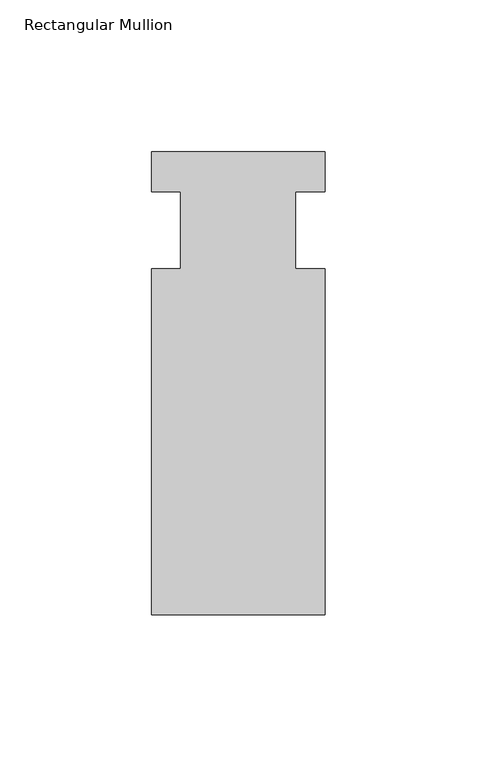
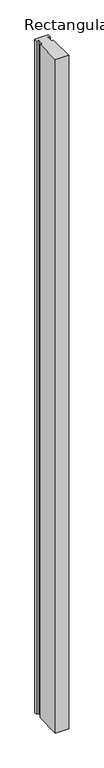
"""IFC4 building model written with IfcOpenShell, lengths in millimetres: member geometry, Rectangular Mullion."""

from ifc_helpers import new_model, si_unit, frame, origin, place, context, project, spatial, polyline, outline, extrude, source, transform, mapped, element, save


def rectangular_mullion_7086e2b6(model_context):
    return source(origin(), model_context, "Body", "SweptSolid", [
        extrude(outline(polyline([(-57.15, 100.3881557), (0.0, 100.3881557), (0.0, 87.2019975), (-9.779, 87.2019975), (-9.779, 61.8019975), (0.0, 61.8019975), (0.0, -52.0118443), (-57.15, -52.0118443), (-57.15, 61.8019975), (-47.625, 61.8019975), (-47.625, 87.2019975), (-57.15, 87.2019975), (-57.15, 100.3881557)])), frame((0.0, 0.0, -3048.0), z_axis=(0.0, 0.0, 1.0), x_axis=(1.0, 0.0, 0.0)), (0.0, 0.0, 1.0), 3048.0),
    ])


if __name__ == "__main__":
    model = new_model("IFC4")
    model_context = context("Model", 3, world=origin())
    ifc_project = project(units=[si_unit("LENGTHUNIT", "METRE", prefix="MILLI")], contexts=[model_context])
    site = spatial("IfcSite", under=ifc_project)
    building = spatial("IfcBuilding", under=site)
    placement = place(None, origin())
    rectangular_mullion_shape = rectangular_mullion_7086e2b6(model_context)
    element("IfcMember", 1, ObjectType="Rectangular Mullion", at=placement, inside=building, context=model_context, shape_type="MappedRepresentation", body=[
        mapped(rectangular_mullion_shape, transform((0.0, 0.0, 0.0), x_axis=(1.0, 0.0, 0.0), y_axis=(0.0, 1.0, 0.0), z_axis=(0.0, 0.0, 1.0))),
    ])
    save(model, "model.ifc")
